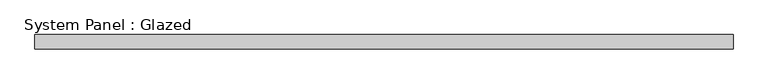
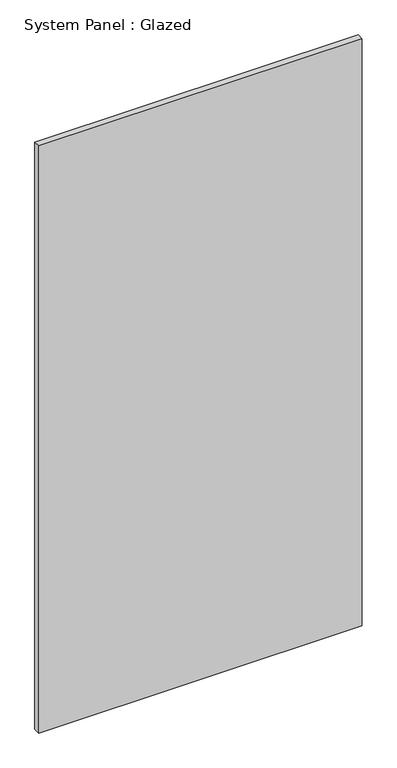
"""IFC4 building model written with IfcOpenShell, lengths in millimetres: plate geometry, System Panel : Glazed."""

from ifc_helpers import new_model, si_unit, origin, origin_with_axes, place, context, project, spatial, polyline, outline, extrude, source, transform, mapped, element, save


def system_panel_glazed_78e52d32(model_context):
    return source(origin(), model_context, "Body", "SweptSolid", [
        extrude(outline(polyline([(619.125, 19.05), (-619.125, 19.05), (-619.125, 44.45), (619.125, 44.45), (619.125, 19.05)])), origin_with_axes(), (0.0, 0.0, 1.0), 2374.9),
    ])


if __name__ == "__main__":
    model = new_model("IFC4")
    model_context = context("Model", 3, world=origin())
    ifc_project = project(units=[si_unit("LENGTHUNIT", "METRE", prefix="MILLI")], contexts=[model_context])
    site = spatial("IfcSite", under=ifc_project)
    building = spatial("IfcBuilding", under=site)
    placement = place(None, origin())
    system_panel_glazed_shape = system_panel_glazed_78e52d32(model_context)
    element("IfcPlate", 1, ObjectType="System Panel : Glazed", at=placement, inside=building, context=model_context, shape_type="MappedRepresentation", body=[
        mapped(system_panel_glazed_shape, transform((0.0, 0.0, 0.0), x_axis=(1.0, 0.0, 0.0), y_axis=(0.0, 1.0, 0.0), z_axis=(0.0, 0.0, 1.0))),
    ])
    save(model, "model.ifc")
